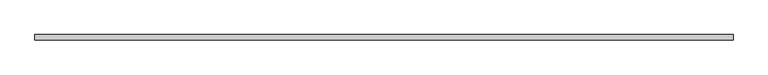
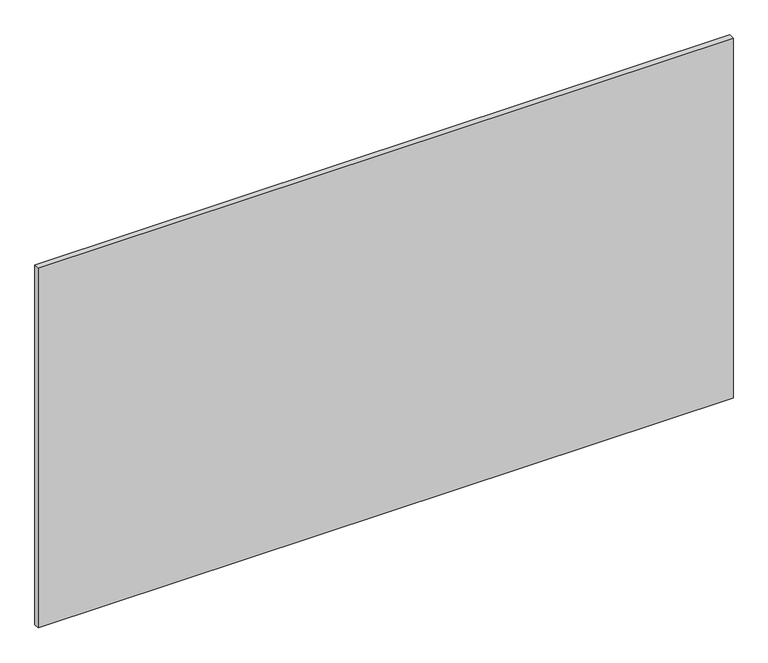
"""IFC4 building model written with IfcOpenShell, lengths in millimetres: plate geometry."""

from ifc_helpers import new_model, si_unit, origin, origin_with_axes, place, context, project, spatial, polyline, outline, extrude, source, transform, mapped, element, save


def plate_57287064(model_context):
    return source(origin(), model_context, "Body", "SweptSolid", [
        extrude(outline(polyline([(625.0, 5.0), (625.0, -5.0), (-625.0, -5.0), (-625.0, 5.0), (625.0, 5.0)])), origin_with_axes(), (0.0, 0.0, 1.0), 685.0),
    ])


if __name__ == "__main__":
    model = new_model("IFC4")
    model_context = context("Model", 3, world=origin())
    ifc_project = project(units=[si_unit("LENGTHUNIT", "METRE", prefix="MILLI")], contexts=[model_context])
    site = spatial("IfcSite", under=ifc_project)
    building = spatial("IfcBuilding", under=site)
    placement = place(None, origin())
    plate_shape = plate_57287064(model_context)
    element("IfcPlate", 1, at=placement, inside=building, context=model_context, shape_type="MappedRepresentation", body=[
        mapped(plate_shape, transform((0.0, 0.0, 0.0), x_axis=(1.0, 0.0, 0.0), y_axis=(0.0, 1.0, 0.0), z_axis=(0.0, 0.0, 1.0))),
    ])
    save(model, "model.ifc")
